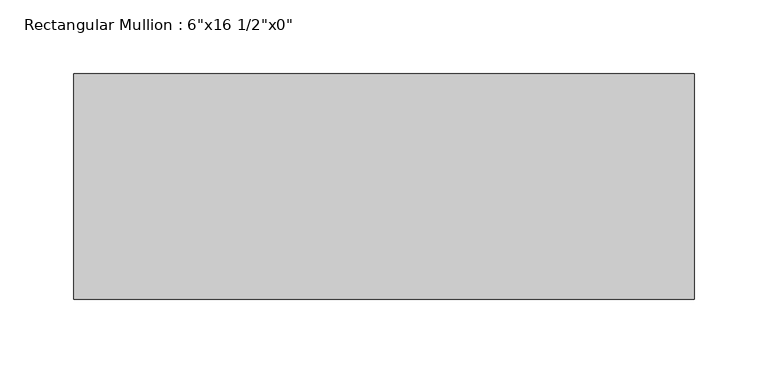
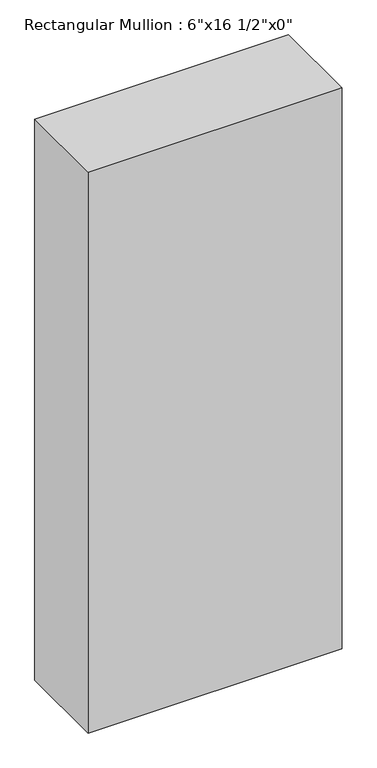
"""IFC4 building model written with IfcOpenShell, lengths in millimetres: member geometry."""

from ifc_helpers import new_model, si_unit, frame, origin, place, context, project, spatial, polyline, outline, extrude, source, transform, mapped, element, save


def member_7485da38(model_context):
    return source(origin(), model_context, "Body", "SweptSolid", [
        extrude(outline(polyline([(0.0, 76.2), (0.0, -76.2), (-419.1, -76.2), (-419.1, 76.2), (0.0, 76.2)])), frame((0.0, 0.0, -978.9583333), z_axis=(0.0, 0.0, 1.0), x_axis=(1.0, 0.0, 0.0)), (0.0, 0.0, 1.0), 978.9583333),
    ])


if __name__ == "__main__":
    model = new_model("IFC4")
    model_context = context("Model", 3, world=origin())
    ifc_project = project(units=[si_unit("LENGTHUNIT", "METRE", prefix="MILLI")], contexts=[model_context])
    site = spatial("IfcSite", under=ifc_project)
    building = spatial("IfcBuilding", under=site)
    placement = place(None, origin())
    member_shape = member_7485da38(model_context)
    element("IfcMember", 1, ObjectType="Rectangular Mullion : 6\"x16 1/2\"x0\"", at=placement, inside=building, context=model_context, shape_type="MappedRepresentation", body=[
        mapped(member_shape, transform((0.0, 0.0, 0.0), x_axis=(1.0, 0.0, 0.0), y_axis=(0.0, 1.0, 0.0), z_axis=(0.0, 0.0, 1.0))),
    ])
    save(model, "model.ifc")
